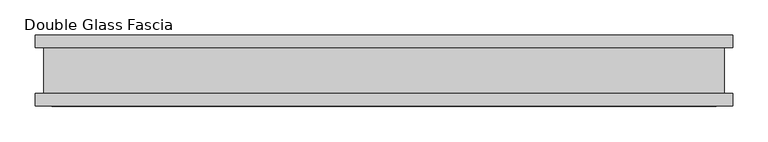
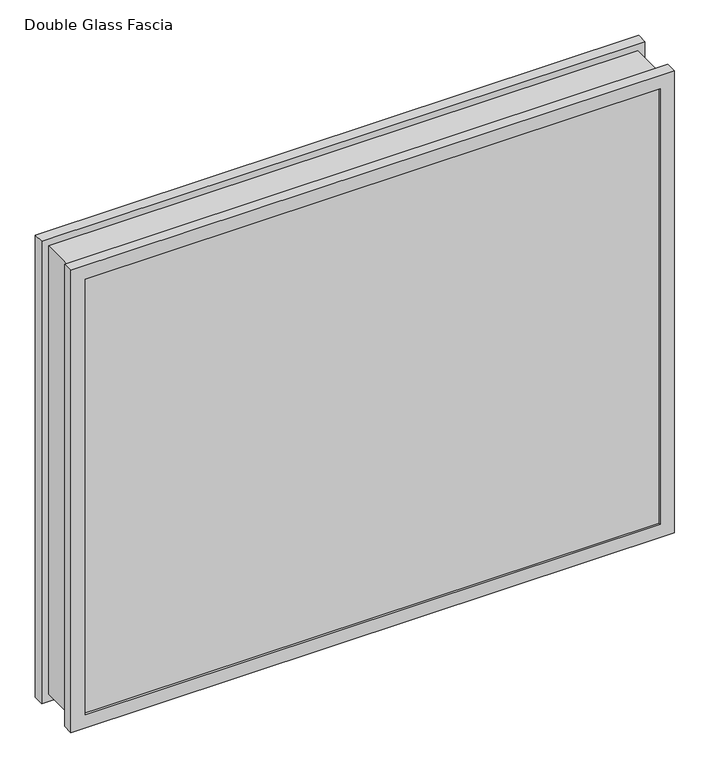
"""IFC4 building model written with IfcOpenShell, lengths in millimetres: proxy geometry, Double Glass Fascia."""

import ifcopenshell
import ifcopenshell.guid

model = None  # the IFC model being written
_history = None  # IfcOwnerHistory: only IFC2X3 demands one
_inside = {}  # id of a spatial element -> (the spatial element, [elements in it])
_under = {}  # id of a project, library or spatial element -> (it, [spatial elements below it])
_declared = {}  # id of a project -> (the project, [libraries it declares])
_typed = {}  # id of a type object -> (the type object, [elements of that type])
_made_of = {}  # id of a material, layer set ... -> (it, [elements and type objects made of it])


def new_model(schema):
    """Start an empty IFC model of exactly this schema.

    Asked for "IFC4X3", IfcOpenShell would pick the latest addendum, in which some entities
    have other attributes; the version numbers below select the first issue.
    IFC2X3 requires an IfcOwnerHistory on every rooted entity: one is made here for all.
    """
    global model, _history
    if schema == "IFC4X3":
        model = ifcopenshell.file(schema_version=(4, 3, 0, 0))
    else:
        model = ifcopenshell.file(schema=schema)
    _inside.clear()
    _under.clear()
    _declared.clear()
    _typed.clear()
    _made_of.clear()
    _history = None
    if model.schema == "IFC2X3":
        org = make("IfcOrganization", Name="unknown")
        user = make(
            "IfcPersonAndOrganization",
            ThePerson=make("IfcPerson", FamilyName="unknown"),
            TheOrganization=org,
        )
        app = make(
            "IfcApplication",
            ApplicationDeveloper=org,
            Version="unknown",
            ApplicationFullName="unknown",
            ApplicationIdentifier="unknown",
        )
        _history = make(
            "IfcOwnerHistory",
            OwningUser=user,
            OwningApplication=app,
            ChangeAction="ADDED",
            CreationDate=0,
        )
    return model


def make(cls, **values):
    """One entity of the class cls with the attributes given. An attribute that is None is left unset."""
    return model.create_entity(
        cls, **{name: value for name, value in values.items() if value is not None}
    )


def rooted(cls, **values):
    """An entity with a GlobalId (a new one), such as an element, a storey or a relation."""
    return make(cls, GlobalId=ifcopenshell.guid.new(), OwnerHistory=_history, **values)


def si_unit(unit_type, name, prefix=None):
    """IfcSIUnit, for example si_unit("LENGTHUNIT", "METRE", prefix="MILLI")."""
    return make("IfcSIUnit", UnitType=unit_type, Prefix=prefix, Name=name)


def assignment(units):
    """IfcUnitAssignment: the units of a project."""
    return None if units is None else make("IfcUnitAssignment", Units=units)


def point(xyz):
    """IfcCartesianPoint."""
    return None if xyz is None else make("IfcCartesianPoint", Coordinates=xyz)


def direction(xyz):
    """IfcDirection."""
    return None if xyz is None else make("IfcDirection", DirectionRatios=xyz)


def frame(location, z_axis=None, x_axis=None):
    """IfcAxis2Placement3D, a coordinate frame: its origin and axes. An axis left out is left unset."""
    return make(
        "IfcAxis2Placement3D",
        Location=point(location),
        Axis=direction(z_axis),
        RefDirection=direction(x_axis),
    )


def origin():
    """The frame at (0, 0, 0) with its axes left unset."""
    return frame((0.0, 0.0, 0.0))


def place(relative_to, where):
    """IfcLocalPlacement: puts the frame where relative to a parent placement (None: the world)."""
    return make(
        "IfcLocalPlacement", PlacementRelTo=relative_to, RelativePlacement=where
    )


def context(
    kind, dimensions, precision=None, world=None, true_north=None, identifier=None
):
    """IfcGeometricRepresentationContext, for example the 3D "Model" context."""
    return make(
        "IfcGeometricRepresentationContext",
        ContextIdentifier=identifier,
        ContextType=kind,
        CoordinateSpaceDimension=dimensions,
        Precision=precision,
        WorldCoordinateSystem=world,
        TrueNorth=true_north,
    )


def project(units=None, contexts=None):
    """IfcProject with its units and contexts."""
    return rooted(
        "IfcProject",
        Name="project",
        RepresentationContexts=contexts,
        UnitsInContext=assignment(units),
    )


def spatial(cls, under=None, at=None, **own):
    """A site, building, storey or space (cls), placed at a placement, below another one or the project."""
    s = rooted(cls, ObjectPlacement=at, **own)
    if under is not None:
        _under.setdefault(under.id(), (under, []))[1].append(s)
    return s


def polyline(points):
    """IfcPolyline through the points."""
    return make("IfcPolyline", Points=[point(p) for p in points])


def outline(outer, holes=None, kind="AREA"):
    """IfcArbitraryClosedProfileDef: a profile drawn as a closed curve; with holes, ...WithVoids."""
    if holes is None:
        return make("IfcArbitraryClosedProfileDef", ProfileType=kind, OuterCurve=outer)
    return make(
        "IfcArbitraryProfileDefWithVoids",
        ProfileType=kind,
        OuterCurve=outer,
        InnerCurves=holes,
    )


def extrude(swept, where, along, depth):
    """IfcExtrudedAreaSolid: the profile swept, set in the frame where, extruded along a direction by depth."""
    return make(
        "IfcExtrudedAreaSolid",
        SweptArea=swept,
        Position=where,
        ExtrudedDirection=direction(along),
        Depth=depth,
    )


def faces_of(points, faces, orient=None, outer=None):
    """IfcFace entities. A face is a list of loops; a loop is a list of indices into points, from 0.

    orient and outer hold one flag for each loop. By default every Orientation is true, the
    first loop of a face is its IfcFaceOuterBound and the others are IfcFaceBound.
    """
    made = []
    for i, loops in enumerate(faces):
        bounds = []
        for j, loop in enumerate(loops):
            is_outer = j == 0 if outer is None else outer[i][j]
            bounds.append(
                make(
                    "IfcFaceOuterBound" if is_outer else "IfcFaceBound",
                    Bound=make("IfcPolyLoop", Polygon=[points[k] for k in loop]),
                    Orientation=True if orient is None else orient[i][j],
                )
            )
        made.append(make("IfcFace", Bounds=bounds))
    return made


def faceted_brep(points, faces, orient=None, outer=None, voids=None):
    """IfcFacetedBrep: a solid bounded by flat faces; with voids (closed shells), ...WithVoids."""
    shared = [point(p) for p in points]
    hull = make("IfcClosedShell", CfsFaces=faces_of(shared, faces, orient, outer))
    if voids is None:
        return make("IfcFacetedBrep", Outer=hull)
    return make(
        "IfcFacetedBrepWithVoids",
        Outer=hull,
        Voids=[
            make(cls, CfsFaces=faces_of(shared, fs, o, b)) for cls, fs, o, b in voids
        ],
    )


def shape(context_of_items, identifier, shape_type, items):
    """IfcShapeRepresentation: the items that make up one representation, for example the "Body"."""
    return make(
        "IfcShapeRepresentation",
        ContextOfItems=context_of_items,
        RepresentationIdentifier=identifier,
        RepresentationType=shape_type,
        Items=items,
    )


def source(mapping_origin, context_of_items, identifier, shape_type, items):
    """IfcRepresentationMap: a shape defined once, which mapped items show again and again."""
    return make(
        "IfcRepresentationMap",
        MappingOrigin=mapping_origin,
        MappedRepresentation=shape(context_of_items, identifier, shape_type, items),
    )


def transform(
    local_origin,
    x_axis=None,
    y_axis=None,
    z_axis=None,
    scale=None,
    scale2=None,
    scale3=None,
    uniform=True,
):
    """IfcCartesianTransformationOperator3D, or its non-uniform kind. x_axis, y_axis, z_axis: its Axis1, 2, 3."""
    if uniform:
        return make(
            "IfcCartesianTransformationOperator3D",
            Axis1=direction(x_axis),
            Axis2=direction(y_axis),
            LocalOrigin=point(local_origin),
            Scale=scale,
            Axis3=direction(z_axis),
        )
    return make(
        "IfcCartesianTransformationOperator3DnonUniform",
        Axis1=direction(x_axis),
        Axis2=direction(y_axis),
        LocalOrigin=point(local_origin),
        Scale=scale,
        Axis3=direction(z_axis),
        Scale2=scale2,
        Scale3=scale3,
    )


def mapped(mapping_source, mapping_target):
    """IfcMappedItem: shows the shape of a source again, moved by a transform."""
    return make(
        "IfcMappedItem", MappingSource=mapping_source, MappingTarget=mapping_target
    )


def made_of(thing, what):
    """Note that an element or type object is made of a material, layer set ...; save() writes the relation."""
    if what is not None:
        _made_of.setdefault(what.id(), (what, []))[1].append(thing)
    return thing


def element(
    cls,
    number,
    at=None,
    inside=None,
    cuts=None,
    type_object=None,
    material=None,
    context=None,
    identifier="Body",
    shape_type=None,
    held_by="IfcProductDefinitionShape",
    body=None,
    shapes=None,
    **own,
):
    """One element of the class cls, such as IfcWall. Its Tag is "e" and its number.

    at: its placement. inside: the storey or other place that contains it. cuts: it is an
    opening in that element (IfcRelVoidsElement). A single representation is given by context,
    identifier, shape_type and body (its items); several are given by shapes. held_by: the class
    of the entity that holds the representations. save() writes the other relations.
    """
    e = rooted(cls, Tag="e%d" % number, ObjectPlacement=at, **own)
    if body is not None:
        shapes = [shape(context, identifier, shape_type, body)]
    if shapes is not None:
        e.Representation = make(held_by, Representations=shapes)
    if inside is not None:
        _inside.setdefault(inside.id(), (inside, []))[1].append(e)
    if cuts is not None:
        rooted(
            "IfcRelVoidsElement", RelatingBuildingElement=cuts, RelatedOpeningElement=e
        )
    if type_object is not None:
        _typed.setdefault(type_object.id(), (type_object, []))[1].append(e)
    return made_of(e, material)


def aggregate(whole, parts):
    """IfcRelAggregates: a whole, such as a stair, and the parts it consists of."""
    return rooted("IfcRelAggregates", RelatingObject=whole, RelatedObjects=parts)


def save(model, path):
    """Write the relations noted so far, then the file.

    IfcRelAggregates (storeys below a building ...), IfcRelContainedInSpatialStructure (elements
    in a storey), IfcRelDefinesByType, IfcRelAssociatesMaterial and IfcRelDeclares: one each for
    every whole, place, type object, material and project.
    """
    for whole, parts in _under.values():
        aggregate(whole, parts)
    for where, things in _inside.values():
        rooted(
            "IfcRelContainedInSpatialStructure",
            RelatedElements=things,
            RelatingStructure=where,
        )
    for kind, things in _typed.values():
        rooted("IfcRelDefinesByType", RelatedObjects=things, RelatingType=kind)
    for what, things in _made_of.values():
        rooted("IfcRelAssociatesMaterial", RelatedObjects=things, RelatingMaterial=what)
    for by, libraries in _declared.values():
        rooted("IfcRelDeclares", RelatingContext=by, RelatedDefinitions=libraries)
    model.write(path)


def double_glass_fascia_f3c6acd2(model_context):
    return source(origin(), model_context, "Body", "SolidModel", [
        faceted_brep([(479.6564641, -32.4352299, 787.400885), (479.6564641, -32.4352299, 15.0359151), (479.6564641, 32.4352299, 15.0359151), (479.6564641, 32.4352299, 787.400885), (-479.6564641, -32.4352299, 15.0359151), (-479.6564641, 32.4352299, 15.0359151), (-479.6564641, -32.4352299, 787.400885), (-479.6564641, 32.4352299, 787.400885), (468.4795792, 38.8962152, 776.2240001), (468.4795792, 38.8962152, 26.2128), (468.4795792, -38.8962152, 26.2128), (468.4795792, -38.8962152, 776.2240001), (485.2142184, 47.1322551, 792.9586393), (485.2142184, 47.1322551, 9.4781608), (485.2142184, 38.8962152, 9.4781608), (485.2142184, 38.8962152, 792.9586393), (468.3017792, 50.0558594, 776.0462001), (468.3017792, 50.0558594, 26.3906), (468.3017792, 47.1322551, 26.3906), (468.3017792, 47.1322551, 776.0462001), (491.5173792, 32.4352299, 799.2618001), (491.5173792, 32.4352299, 3.175), (491.5173792, 50.0558594, 3.175), (491.5173792, 50.0558594, 799.2618001), (-468.4795792, 38.8962152, 26.2128), (-468.4795792, -38.8962152, 26.2128), (-485.2142184, 47.1322551, 9.4781608), (-485.2142184, 38.8962152, 9.4781608), (-468.3017792, 50.0558594, 26.3906), (-468.3017792, 47.1322551, 26.3906), (-491.5173792, 32.4352299, 3.175), (-491.5173792, 50.0558594, 3.175), (-468.4795792, 38.8962152, 776.2240001), (-468.4795792, -38.8962152, 776.2240001), (-485.2142184, 47.1322551, 792.9586393), (-485.2142184, 38.8962152, 792.9586393), (-468.3017792, 50.0558594, 776.0462001), (-468.3017792, 47.1322551, 776.0462001), (-491.5173792, 32.4352299, 799.2618001), (-491.5173792, 50.0558594, 799.2618001), (491.5173792, -50.0558594, 799.2618001), (491.5173792, -50.0558594, 3.175), (491.5173792, -32.4352299, 3.175), (491.5173792, -32.4352299, 799.2618001), (468.4795792, -47.1322551, 776.2240001), (468.4795792, -47.1322551, 26.2128), (468.4795792, -50.0558594, 26.2128), (468.4795792, -50.0558594, 776.2240001), (485.2142184, -38.8962152, 792.9586393), (485.2142184, -38.8962152, 9.4781608), (485.2142184, -47.1322551, 9.4781608), (485.2142184, -47.1322551, 792.9586393), (-491.5173792, -50.0558594, 3.175), (-491.5173792, -32.4352299, 3.175), (-468.4795792, -47.1322551, 26.2128), (-468.4795792, -50.0558594, 26.2128), (-485.2142184, -38.8962152, 9.4781608), (-485.2142184, -47.1322551, 9.4781608), (-491.5173792, -50.0558594, 799.2618001), (-491.5173792, -32.4352299, 799.2618001), (-468.4795792, -47.1322551, 776.2240001), (-468.4795792, -50.0558594, 776.2240001), (-485.2142184, -38.8962152, 792.9586393), (-485.2142184, -47.1322551, 792.9586393)], [[[0, 1, 2, 3]], [[1, 4, 5, 2]], [[4, 6, 7, 5]], [[6, 0, 3, 7]], [[8, 9, 10, 11]], [[12, 13, 14, 15]], [[16, 17, 18, 19]], [[20, 21, 22, 23]], [[9, 24, 25, 10]], [[13, 26, 27, 14]], [[17, 28, 29, 18]], [[21, 30, 31, 22]], [[24, 32, 33, 25]], [[26, 34, 35, 27]], [[28, 36, 37, 29]], [[30, 38, 39, 31]], [[32, 8, 11, 33]], [[15, 14, 27, 35], [9, 8, 32, 24]], [[34, 12, 15, 35]], [[13, 12, 34, 26], [19, 18, 29, 37]], [[36, 16, 19, 37]], [[23, 22, 31, 39], [17, 16, 36, 28]], [[38, 20, 23, 39]], [[21, 20, 38, 30], [3, 2, 5, 7]], [[40, 41, 42, 43]], [[44, 45, 46, 47]], [[48, 49, 50, 51]], [[41, 52, 53, 42]], [[45, 54, 55, 46]], [[49, 56, 57, 50]], [[52, 58, 59, 53]], [[54, 60, 61, 55]], [[56, 62, 63, 57]], [[43, 42, 53, 59], [1, 0, 6, 4]], [[58, 40, 43, 59]], [[41, 40, 58, 52], [47, 46, 55, 61]], [[60, 44, 47, 61]], [[51, 50, 57, 63], [45, 44, 60, 54]], [[62, 48, 51, 63]], [[49, 48, 62, 56], [11, 10, 25, 33]]]),
        extrude(outline(polyline([(480.6923792, 40.9277344), (-480.6923792, 40.9277344), (-480.6923792, 46.8808594), (480.6923792, 46.8808594), (480.6923792, 40.9277344)])), frame((0.0, 0.0, 5.3275263), z_axis=(0.0, 0.0, 1.0), x_axis=(1.0, 0.0, 0.0)), (0.0, 0.0, 1.0), 791.2877281),
        extrude(outline(polyline([(480.6923792, -41.1791301), (480.6923792, -47.1322551), (-480.6923792, -47.1322551), (-480.6923792, -41.1791301), (480.6923792, -41.1791301)])), frame((0.0, 0.0, 5.3275263), z_axis=(0.0, 0.0, 1.0), x_axis=(1.0, 0.0, 0.0)), (0.0, 0.0, 1.0), 791.2877281),
    ])


if __name__ == "__main__":
    model = new_model("IFC4")
    model_context = context("Model", 3, world=origin())
    ifc_project = project(units=[si_unit("LENGTHUNIT", "METRE", prefix="MILLI")], contexts=[model_context])
    site = spatial("IfcSite", under=ifc_project)
    building = spatial("IfcBuilding", under=site)
    placement = place(None, origin())
    double_glass_fascia_shape = double_glass_fascia_f3c6acd2(model_context)
    element("IfcBuildingElementProxy", 1, Name="Double Glass Fascia", ObjectType="Double Glass Fascia", at=placement, inside=building, context=model_context, shape_type="MappedRepresentation", body=[
        mapped(double_glass_fascia_shape, transform((0.0, 0.0, 0.0), x_axis=(1.0, 0.0, 0.0), y_axis=(0.0, 1.0, 0.0), z_axis=(0.0, 0.0, 1.0))),
    ])
    save(model, "model.ifc")
